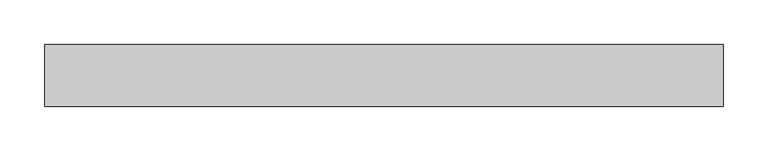
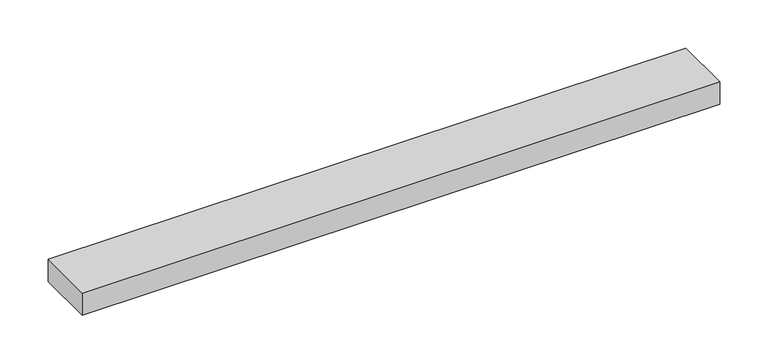
"""IFC4 building model written with IfcOpenShell, lengths in millimetres: beam geometry."""

from ifc_helpers import new_model, si_unit, frame, origin, place, context, project, spatial, polyline, outline, extrude, source, transform, mapped, element, save


def beam_31c72a9e(model_context):
    return source(origin(), model_context, "Body", "SweptSolid", [
        extrude(outline(polyline([(381.0, -35.0), (-381.0, -35.0), (-381.0, 35.0), (381.0, 35.0), (381.0, -35.0)])), frame((0.0, 0.0, -14.0), z_axis=(0.0, 0.0, 1.0), x_axis=(1.0, 0.0, 0.0)), (0.0, 0.0, 1.0), 28.0),
    ])


if __name__ == "__main__":
    model = new_model("IFC4")
    model_context = context("Model", 3, world=origin())
    ifc_project = project(units=[si_unit("LENGTHUNIT", "METRE", prefix="MILLI")], contexts=[model_context])
    site = spatial("IfcSite", under=ifc_project)
    building = spatial("IfcBuilding", under=site)
    placement = place(None, origin())
    beam_shape = beam_31c72a9e(model_context)
    element("IfcBeam", 1, at=placement, inside=building, context=model_context, shape_type="MappedRepresentation", body=[
        mapped(beam_shape, transform((0.0, 0.0, 0.0), x_axis=(1.0, 0.0, 0.0), y_axis=(0.0, 1.0, 0.0), z_axis=(0.0, 0.0, 1.0))),
    ])
    save(model, "model.ifc")
